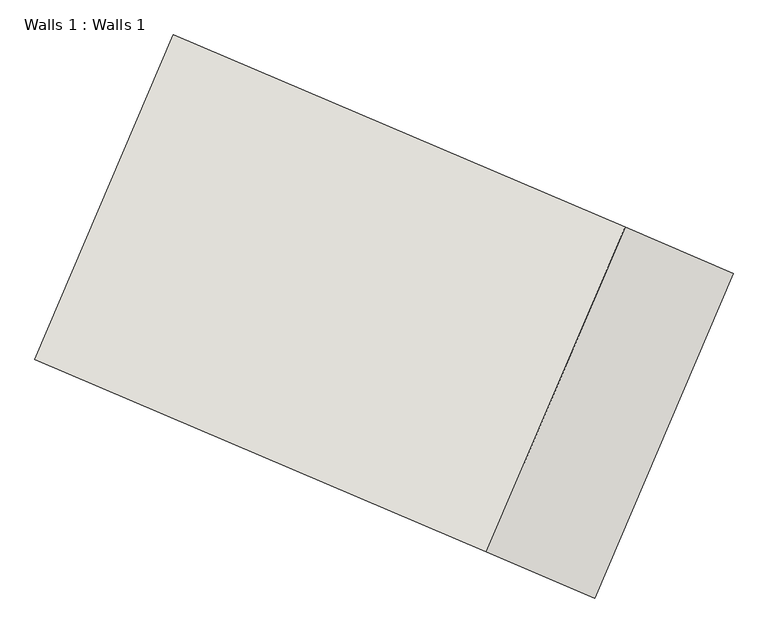
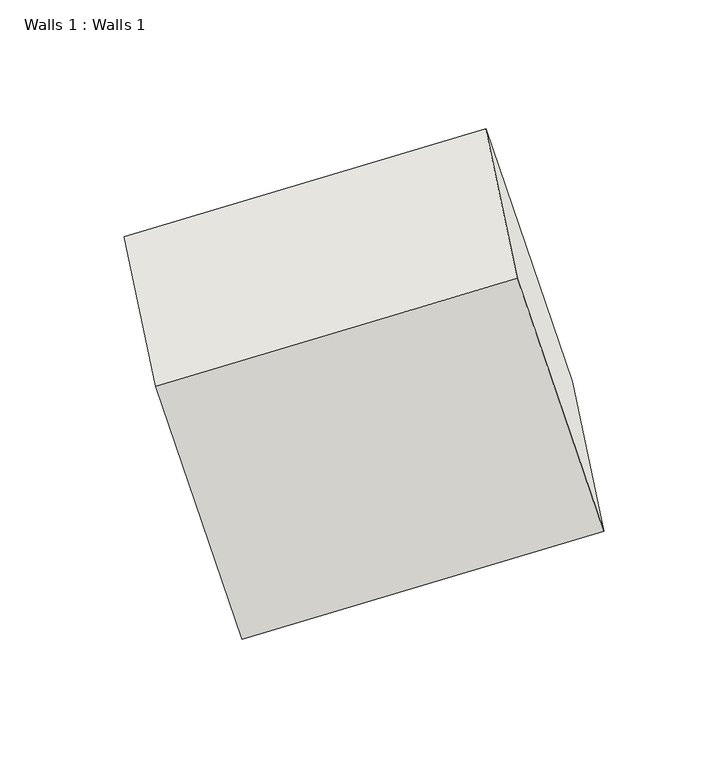
"""IFC4 building model written with IfcOpenShell, lengths in millimetres: wall geometry, Walls 1 : Walls 1."""

from ifc_helpers import new_model, si_unit, frame, origin, place, context, project, spatial, polyline, outline, extrude, source, transform, mapped, element, save


def walls_1_walls_1_b2036b4b(model_context):
    return source(origin(), model_context, "Body", "SweptSolid", [
        extrude(outline(polyline([(-1e-07, -1200.0), (0.0, 0.0), (1729.8790966, 0.0), (1729.8790967, -1200.0), (-1e-07, -1200.0)])), frame((3411.7267138, -6326.834603, 1661.0415113), z_axis=(-0.24470699027694076, 0.1043329126106075, 0.9639673916973482), x_axis=(-0.8867347576875705, 0.3780669276259885, -0.2660204273062718)), (0.0, 0.0, 1.0), 1500.0),
    ])


if __name__ == "__main__":
    model = new_model("IFC4")
    model_context = context("Model", 3, world=origin())
    ifc_project = project(units=[si_unit("LENGTHUNIT", "METRE", prefix="MILLI")], contexts=[model_context])
    site = spatial("IfcSite", under=ifc_project)
    building = spatial("IfcBuilding", under=site)
    placement = place(None, origin())
    walls_1_walls_1_shape = walls_1_walls_1_b2036b4b(model_context)
    element("IfcWall", 1, ObjectType="Walls 1 : Walls 1", at=placement, inside=building, context=model_context, shape_type="MappedRepresentation", body=[
        mapped(walls_1_walls_1_shape, transform((0.0, 0.0, 0.0), x_axis=(1.0, 0.0, 0.0), y_axis=(0.0, 1.0, 0.0), z_axis=(0.0, 0.0, 1.0))),
    ])
    save(model, "model.ifc")
